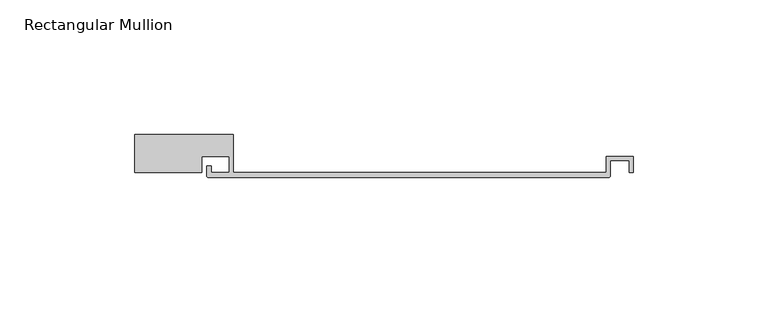
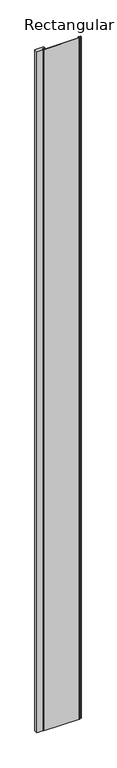
"""IFC4 building model written with IfcOpenShell, lengths in millimetres: member geometry, Rectangular Mullion."""

from ifc_helpers import new_model, si_unit, point, frame, frame_2d, origin, place, context, project, spatial, polyline, circle_curve, trimmed, segment, composite_curve, outline, extrude, source, transform, mapped, element, save


def rectangular_mullion_cee8e10b(model_context):
    return source(origin(), model_context, "Body", "SweptSolid", [
        extrude(outline(composite_curve([segment(polyline([(-135.3, -14.2), (-135.3, 0.0), (-98.5, 0.0), (-98.5, -14.2), (40.0, -14.2), (40.0, -8.2), (50.2, -8.2), (50.2, -14.2), (48.6, -14.2), (48.6, -9.8), (41.6, -9.8), (41.6, -15.5)]), True, "CONTINUOUS"), segment(trimmed(circle_curve(frame_2d((41.1, -15.5)), 0.5), [point((41.6, -15.5))], [point((41.1, -16.0))], False, "CARTESIAN"), True, "CONTINUOUS"), segment(polyline([(41.1, -16.0), (-107.9, -16.0)]), True, "CONTINUOUS"), segment(trimmed(circle_curve(frame_2d((-107.9, -15.5)), 0.5), [point((-107.9, -16.0))], [point((-108.4, -15.5))], False, "CARTESIAN"), True, "CONTINUOUS"), segment(polyline([(-108.4, -15.5), (-108.4, -11.8), (-106.8, -11.8), (-106.8, -14.2), (-100.1, -14.2), (-100.1, -8.2), (-110.3, -8.2), (-110.3, -14.2), (-135.3, -14.2)]), True, "CONTINUOUS")], self_intersect=False)), frame((0.0, 0.0, -3000.0), z_axis=(0.0, 0.0, 1.0), x_axis=(1.0, 0.0, 0.0)), (0.0, 0.0, 1.0), 3000.0),
    ])


if __name__ == "__main__":
    model = new_model("IFC4")
    model_context = context("Model", 3, world=origin())
    ifc_project = project(units=[si_unit("LENGTHUNIT", "METRE", prefix="MILLI")], contexts=[model_context])
    site = spatial("IfcSite", under=ifc_project)
    building = spatial("IfcBuilding", under=site)
    placement = place(None, origin())
    rectangular_mullion_shape = rectangular_mullion_cee8e10b(model_context)
    element("IfcMember", 1, ObjectType="Rectangular Mullion", at=placement, inside=building, context=model_context, shape_type="MappedRepresentation", body=[
        mapped(rectangular_mullion_shape, transform((0.0, 0.0, 0.0), x_axis=(1.0, 0.0, 0.0), y_axis=(0.0, 1.0, 0.0), z_axis=(0.0, 0.0, 1.0))),
    ])
    save(model, "model.ifc")
